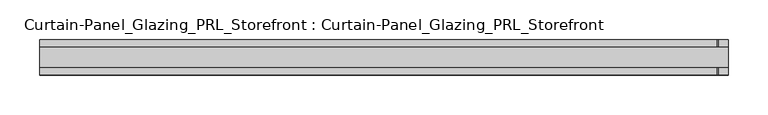
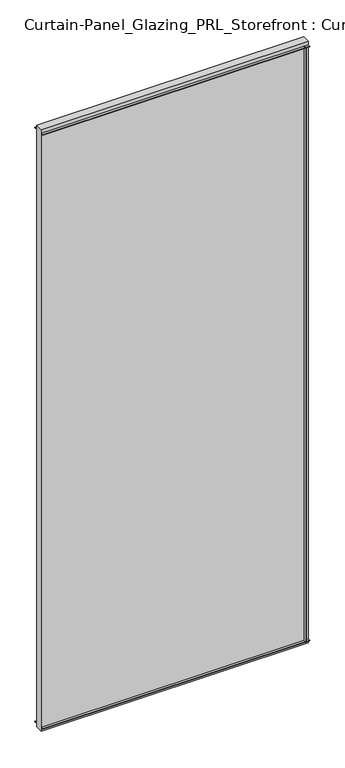
"""IFC4 building model written with IfcOpenShell, lengths in millimetres: plate geometry, Curtain-Panel_Glazing_PRL_Storefront : Curtain-Panel_Glazing_PRL_Storefront."""

import ifcopenshell
import ifcopenshell.guid

model = None  # the IFC model being written
_history = None  # IfcOwnerHistory: only IFC2X3 demands one
_inside = {}  # id of a spatial element -> (the spatial element, [elements in it])
_under = {}  # id of a project, library or spatial element -> (it, [spatial elements below it])
_declared = {}  # id of a project -> (the project, [libraries it declares])
_typed = {}  # id of a type object -> (the type object, [elements of that type])
_made_of = {}  # id of a material, layer set ... -> (it, [elements and type objects made of it])


def new_model(schema):
    """Start an empty IFC model of exactly this schema.

    Asked for "IFC4X3", IfcOpenShell would pick the latest addendum, in which some entities
    have other attributes; the version numbers below select the first issue.
    IFC2X3 requires an IfcOwnerHistory on every rooted entity: one is made here for all.
    """
    global model, _history
    if schema == "IFC4X3":
        model = ifcopenshell.file(schema_version=(4, 3, 0, 0))
    else:
        model = ifcopenshell.file(schema=schema)
    _inside.clear()
    _under.clear()
    _declared.clear()
    _typed.clear()
    _made_of.clear()
    _history = None
    if model.schema == "IFC2X3":
        org = make("IfcOrganization", Name="unknown")
        user = make(
            "IfcPersonAndOrganization",
            ThePerson=make("IfcPerson", FamilyName="unknown"),
            TheOrganization=org,
        )
        app = make(
            "IfcApplication",
            ApplicationDeveloper=org,
            Version="unknown",
            ApplicationFullName="unknown",
            ApplicationIdentifier="unknown",
        )
        _history = make(
            "IfcOwnerHistory",
            OwningUser=user,
            OwningApplication=app,
            ChangeAction="ADDED",
            CreationDate=0,
        )
    return model


def make(cls, **values):
    """One entity of the class cls with the attributes given. An attribute that is None is left unset."""
    return model.create_entity(
        cls, **{name: value for name, value in values.items() if value is not None}
    )


def rooted(cls, **values):
    """An entity with a GlobalId (a new one), such as an element, a storey or a relation."""
    return make(cls, GlobalId=ifcopenshell.guid.new(), OwnerHistory=_history, **values)


def si_unit(unit_type, name, prefix=None):
    """IfcSIUnit, for example si_unit("LENGTHUNIT", "METRE", prefix="MILLI")."""
    return make("IfcSIUnit", UnitType=unit_type, Prefix=prefix, Name=name)


def assignment(units):
    """IfcUnitAssignment: the units of a project."""
    return None if units is None else make("IfcUnitAssignment", Units=units)


def point(xyz):
    """IfcCartesianPoint."""
    return None if xyz is None else make("IfcCartesianPoint", Coordinates=xyz)


def direction(xyz):
    """IfcDirection."""
    return None if xyz is None else make("IfcDirection", DirectionRatios=xyz)


def frame(location, z_axis=None, x_axis=None):
    """IfcAxis2Placement3D, a coordinate frame: its origin and axes. An axis left out is left unset."""
    return make(
        "IfcAxis2Placement3D",
        Location=point(location),
        Axis=direction(z_axis),
        RefDirection=direction(x_axis),
    )


def origin():
    """The frame at (0, 0, 0) with its axes left unset."""
    return frame((0.0, 0.0, 0.0))


def origin_with_axes():
    """The frame at (0, 0, 0) with the z axis (0, 0, 1) and the x axis (1, 0, 0) written out."""
    return frame((0.0, 0.0, 0.0), z_axis=(0.0, 0.0, 1.0), x_axis=(1.0, 0.0, 0.0))


def place(relative_to, where):
    """IfcLocalPlacement: puts the frame where relative to a parent placement (None: the world)."""
    return make(
        "IfcLocalPlacement", PlacementRelTo=relative_to, RelativePlacement=where
    )


def context(
    kind, dimensions, precision=None, world=None, true_north=None, identifier=None
):
    """IfcGeometricRepresentationContext, for example the 3D "Model" context."""
    return make(
        "IfcGeometricRepresentationContext",
        ContextIdentifier=identifier,
        ContextType=kind,
        CoordinateSpaceDimension=dimensions,
        Precision=precision,
        WorldCoordinateSystem=world,
        TrueNorth=true_north,
    )


def project(units=None, contexts=None):
    """IfcProject with its units and contexts."""
    return rooted(
        "IfcProject",
        Name="project",
        RepresentationContexts=contexts,
        UnitsInContext=assignment(units),
    )


def spatial(cls, under=None, at=None, **own):
    """A site, building, storey or space (cls), placed at a placement, below another one or the project."""
    s = rooted(cls, ObjectPlacement=at, **own)
    if under is not None:
        _under.setdefault(under.id(), (under, []))[1].append(s)
    return s


def polyline(points):
    """IfcPolyline through the points."""
    return make("IfcPolyline", Points=[point(p) for p in points])


def outline(outer, holes=None, kind="AREA"):
    """IfcArbitraryClosedProfileDef: a profile drawn as a closed curve; with holes, ...WithVoids."""
    if holes is None:
        return make("IfcArbitraryClosedProfileDef", ProfileType=kind, OuterCurve=outer)
    return make(
        "IfcArbitraryProfileDefWithVoids",
        ProfileType=kind,
        OuterCurve=outer,
        InnerCurves=holes,
    )


def extrude(swept, where, along, depth):
    """IfcExtrudedAreaSolid: the profile swept, set in the frame where, extruded along a direction by depth."""
    return make(
        "IfcExtrudedAreaSolid",
        SweptArea=swept,
        Position=where,
        ExtrudedDirection=direction(along),
        Depth=depth,
    )


def shape(context_of_items, identifier, shape_type, items):
    """IfcShapeRepresentation: the items that make up one representation, for example the "Body"."""
    return make(
        "IfcShapeRepresentation",
        ContextOfItems=context_of_items,
        RepresentationIdentifier=identifier,
        RepresentationType=shape_type,
        Items=items,
    )


def source(mapping_origin, context_of_items, identifier, shape_type, items):
    """IfcRepresentationMap: a shape defined once, which mapped items show again and again."""
    return make(
        "IfcRepresentationMap",
        MappingOrigin=mapping_origin,
        MappedRepresentation=shape(context_of_items, identifier, shape_type, items),
    )


def transform(
    local_origin,
    x_axis=None,
    y_axis=None,
    z_axis=None,
    scale=None,
    scale2=None,
    scale3=None,
    uniform=True,
):
    """IfcCartesianTransformationOperator3D, or its non-uniform kind. x_axis, y_axis, z_axis: its Axis1, 2, 3."""
    if uniform:
        return make(
            "IfcCartesianTransformationOperator3D",
            Axis1=direction(x_axis),
            Axis2=direction(y_axis),
            LocalOrigin=point(local_origin),
            Scale=scale,
            Axis3=direction(z_axis),
        )
    return make(
        "IfcCartesianTransformationOperator3DnonUniform",
        Axis1=direction(x_axis),
        Axis2=direction(y_axis),
        LocalOrigin=point(local_origin),
        Scale=scale,
        Axis3=direction(z_axis),
        Scale2=scale2,
        Scale3=scale3,
    )


def mapped(mapping_source, mapping_target):
    """IfcMappedItem: shows the shape of a source again, moved by a transform."""
    return make(
        "IfcMappedItem", MappingSource=mapping_source, MappingTarget=mapping_target
    )


def made_of(thing, what):
    """Note that an element or type object is made of a material, layer set ...; save() writes the relation."""
    if what is not None:
        _made_of.setdefault(what.id(), (what, []))[1].append(thing)
    return thing


def element(
    cls,
    number,
    at=None,
    inside=None,
    cuts=None,
    type_object=None,
    material=None,
    context=None,
    identifier="Body",
    shape_type=None,
    held_by="IfcProductDefinitionShape",
    body=None,
    shapes=None,
    **own,
):
    """One element of the class cls, such as IfcWall. Its Tag is "e" and its number.

    at: its placement. inside: the storey or other place that contains it. cuts: it is an
    opening in that element (IfcRelVoidsElement). A single representation is given by context,
    identifier, shape_type and body (its items); several are given by shapes. held_by: the class
    of the entity that holds the representations. save() writes the other relations.
    """
    e = rooted(cls, Tag="e%d" % number, ObjectPlacement=at, **own)
    if body is not None:
        shapes = [shape(context, identifier, shape_type, body)]
    if shapes is not None:
        e.Representation = make(held_by, Representations=shapes)
    if inside is not None:
        _inside.setdefault(inside.id(), (inside, []))[1].append(e)
    if cuts is not None:
        rooted(
            "IfcRelVoidsElement", RelatingBuildingElement=cuts, RelatedOpeningElement=e
        )
    if type_object is not None:
        _typed.setdefault(type_object.id(), (type_object, []))[1].append(e)
    return made_of(e, material)


def aggregate(whole, parts):
    """IfcRelAggregates: a whole, such as a stair, and the parts it consists of."""
    return rooted("IfcRelAggregates", RelatingObject=whole, RelatedObjects=parts)


def save(model, path):
    """Write the relations noted so far, then the file.

    IfcRelAggregates (storeys below a building ...), IfcRelContainedInSpatialStructure (elements
    in a storey), IfcRelDefinesByType, IfcRelAssociatesMaterial and IfcRelDeclares: one each for
    every whole, place, type object, material and project.
    """
    for whole, parts in _under.values():
        aggregate(whole, parts)
    for where, things in _inside.values():
        rooted(
            "IfcRelContainedInSpatialStructure",
            RelatedElements=things,
            RelatingStructure=where,
        )
    for kind, things in _typed.values():
        rooted("IfcRelDefinesByType", RelatedObjects=things, RelatingType=kind)
    for what, things in _made_of.values():
        rooted("IfcRelAssociatesMaterial", RelatedObjects=things, RelatingMaterial=what)
    for by, libraries in _declared.values():
        rooted("IfcRelDeclares", RelatingContext=by, RelatedDefinitions=libraries)
    model.write(path)


def curtain_panel_glazing_prl_storefront_curtain_panel_glazing_5d5235df(model_context):
    return source(origin(), model_context, "Body", "SweptSolid", [
        extrude(outline(polyline([(422.275, -22.225), (420.6875, -22.225), (420.6875, -12.7), (422.275, -12.7), (422.275, -22.225)])), frame((0.0, 0.0, 12.7), z_axis=(0.0, 0.0, 1.0), x_axis=(1.0, 0.0, 0.0)), (0.0, 0.0, 1.0), 2047.08125),
        extrude(outline(polyline([(422.275, 22.225), (422.275, 12.7), (420.6875, 12.7), (420.6875, 22.225), (422.275, 22.225)])), frame((0.0, 0.0, 12.7), z_axis=(0.0, 0.0, 1.0), x_axis=(1.0, 0.0, 0.0)), (0.0, 0.0, 1.0), 2047.08125),
        extrude(outline(polyline([(434.975, 12.7), (434.975, -12.7), (-434.975, -12.7), (-434.975, 12.7), (434.975, 12.7)])), origin_with_axes(), (0.0, 0.0, 1.0), 2072.48125),
        extrude(outline(polyline([(-434.975, -22.225), (-434.975, -12.7), (434.975, -12.7), (434.975, -22.225), (-434.975, -22.225)])), frame((0.0, 0.0, 2058.19375), z_axis=(0.0, 0.0, 1.0), x_axis=(1.0, 0.0, 0.0)), (0.0, 0.0, 1.0), 1.5875),
        extrude(outline(polyline([(-434.975, 22.225), (434.975, 22.225), (434.975, 12.7), (-434.975, 12.7), (-434.975, 22.225)])), frame((0.0, 0.0, 2058.19375), z_axis=(0.0, 0.0, 1.0), x_axis=(1.0, 0.0, 0.0)), (0.0, 0.0, 1.0), 1.5875),
        extrude(outline(polyline([(-434.975, -22.225), (-434.975, -12.7), (434.975, -12.7), (434.975, -22.225), (-434.975, -22.225)])), frame((0.0, 0.0, 12.7), z_axis=(0.0, 0.0, 1.0), x_axis=(1.0, 0.0, 0.0)), (0.0, 0.0, 1.0), 1.5875),
        extrude(outline(polyline([(-434.975, 22.225), (434.975, 22.225), (434.975, 12.7), (-434.975, 12.7), (-434.975, 22.225)])), frame((0.0, 0.0, 12.7), z_axis=(0.0, 0.0, 1.0), x_axis=(1.0, 0.0, 0.0)), (0.0, 0.0, 1.0), 1.5875),
    ])


if __name__ == "__main__":
    model = new_model("IFC4")
    model_context = context("Model", 3, world=origin())
    ifc_project = project(units=[si_unit("LENGTHUNIT", "METRE", prefix="MILLI")], contexts=[model_context])
    site = spatial("IfcSite", under=ifc_project)
    building = spatial("IfcBuilding", under=site)
    placement = place(None, origin())
    curtain_panel_glazing_prl_storefront_curtain_panel_glazing_shape = curtain_panel_glazing_prl_storefront_curtain_panel_glazing_5d5235df(model_context)
    element("IfcPlate", 1, ObjectType="Curtain-Panel_Glazing_PRL_Storefront : Curtain-Panel_Glazing_PRL_Storefront", at=placement, inside=building, context=model_context, shape_type="MappedRepresentation", body=[
        mapped(curtain_panel_glazing_prl_storefront_curtain_panel_glazing_shape, transform((0.0, 0.0, 0.0), x_axis=(1.0, 0.0, 0.0), y_axis=(0.0, 1.0, 0.0), z_axis=(0.0, 0.0, 1.0))),
    ])
    save(model, "model.ifc")
